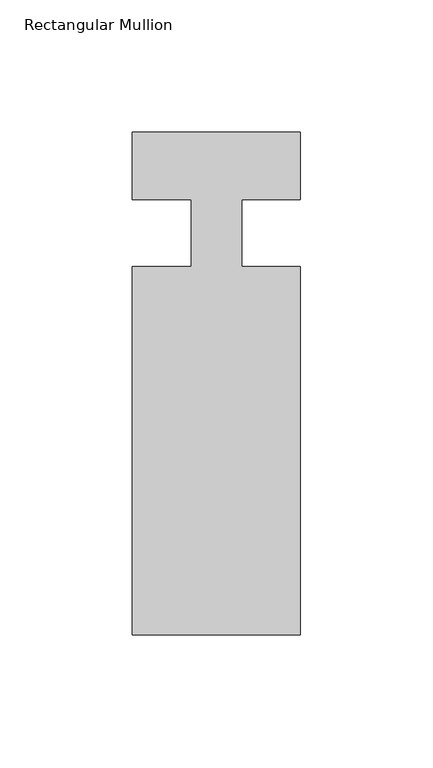
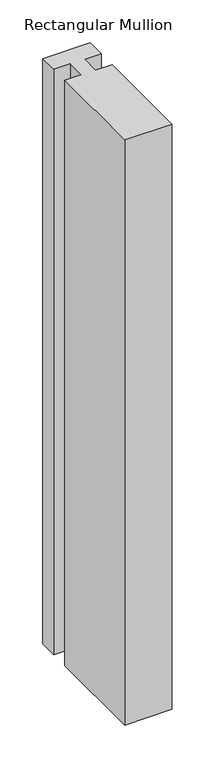
"""IFC4 building model written with IfcOpenShell, lengths in millimetres: member geometry, Rectangular Mullion."""

from ifc_helpers import new_model, si_unit, frame, origin, place, context, project, spatial, polyline, outline, extrude, source, transform, mapped, element, save


def rectangular_mullion_c21731ac(model_context):
    return source(origin(), model_context, "Body", "SweptSolid", [
        extrude(outline(polyline([(-31.75, -151.9039062), (-31.75, -12.7119062), (-9.5251132, -12.7119062), (-9.5251132, 12.7044051), (-31.75, 12.7044051), (-31.75, 38.0880937), (31.75, 38.0880938), (31.75, 12.7185702), (9.525, 12.7185702), (9.525, -12.7119062), (31.75, -12.7119062), (31.75, -151.9039062), (-31.75, -151.9039062)])), frame((0.0, 0.0, -831.8500061), z_axis=(0.0, 0.0, 1.0), x_axis=(1.0, 0.0, 0.0)), (0.0, 0.0, 1.0), 831.8500061),
    ])


if __name__ == "__main__":
    model = new_model("IFC4")
    model_context = context("Model", 3, world=origin())
    ifc_project = project(units=[si_unit("LENGTHUNIT", "METRE", prefix="MILLI")], contexts=[model_context])
    site = spatial("IfcSite", under=ifc_project)
    building = spatial("IfcBuilding", under=site)
    placement = place(None, origin())
    rectangular_mullion_shape = rectangular_mullion_c21731ac(model_context)
    element("IfcMember", 1, ObjectType="Rectangular Mullion", at=placement, inside=building, context=model_context, shape_type="MappedRepresentation", body=[
        mapped(rectangular_mullion_shape, transform((0.0, 0.0, 0.0), x_axis=(1.0, 0.0, 0.0), y_axis=(0.0, 1.0, 0.0), z_axis=(0.0, 0.0, 1.0))),
    ])
    save(model, "model.ifc")
